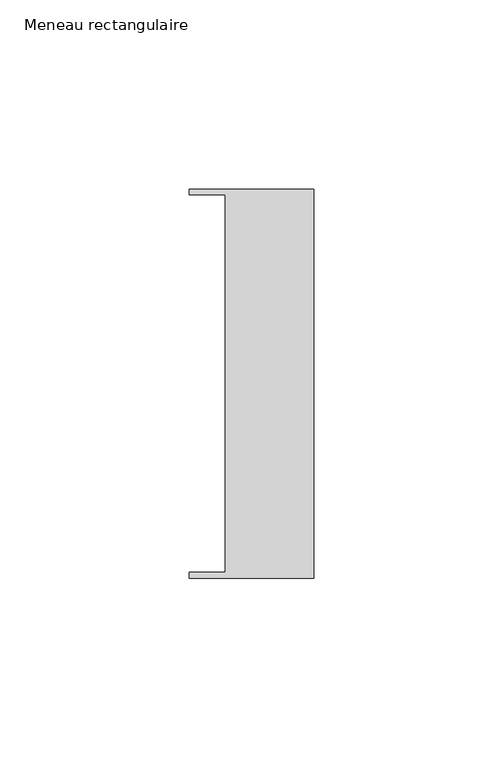
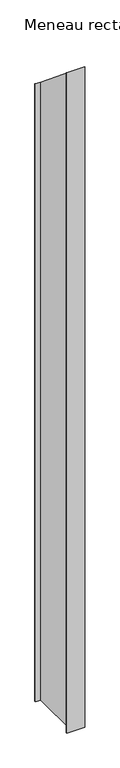
"""IFC4 building model written with IfcOpenShell, lengths in millimetres: member geometry, Meneau rectangulaire."""

from ifc_helpers import new_model, si_unit, origin, place, context, project, spatial, faceted_brep, source, transform, mapped, element, save


def meneau_rectangulaire_eea35779(model_context):
    return source(origin(), model_context, "Body", "Brep", [
        faceted_brep([(-33.0, 51.4622428, -1255.0000003), (0.0, 51.4622428, -1255.0000003), (0.0, -51.4712299, -1255.0000003), (-33.0, -51.4712299, -1255.0000003), (-33.0, -49.9505712, -1255.0000003), (-23.4, -49.9505712, -1255.0000003), (-23.4, 49.9614402, -1255.0000003), (-33.0, 49.9614402, -1255.0000003), (-23.4, -49.9505712, 41.1760733), (-23.4, 49.9614402, -41.1850331), (0.0, -51.4712299, 42.4296076), (-33.0, -51.4712299, 42.4296076), (0.0, 51.4622428, -42.4221992), (-33.0, 51.4622428, -42.4221992), (-33.0, 49.9614402, -41.1850331), (-33.0, -49.9505712, 41.1760733)], [[[0, 1, 2, 3, 4, 5, 6, 7]], [[8, 9, 6, 5]], [[10, 11, 3, 2]], [[12, 10, 2, 1]], [[13, 12, 1, 0]], [[14, 13, 0, 7]], [[9, 14, 7, 6]], [[15, 8, 5, 4]], [[11, 15, 4, 3]], [[13, 14, 9, 8, 15, 11, 10, 12]]]),
    ])


if __name__ == "__main__":
    model = new_model("IFC4")
    model_context = context("Model", 3, world=origin())
    ifc_project = project(units=[si_unit("LENGTHUNIT", "METRE", prefix="MILLI")], contexts=[model_context])
    site = spatial("IfcSite", under=ifc_project)
    building = spatial("IfcBuilding", under=site)
    placement = place(None, origin())
    meneau_rectangulaire_shape = meneau_rectangulaire_eea35779(model_context)
    element("IfcMember", 1, ObjectType="Meneau rectangulaire", at=placement, inside=building, context=model_context, shape_type="MappedRepresentation", body=[
        mapped(meneau_rectangulaire_shape, transform((0.0, 0.0, 0.0), x_axis=(1.0, 0.0, 0.0), y_axis=(0.0, 1.0, 0.0), z_axis=(0.0, 0.0, 1.0))),
    ])
    save(model, "model.ifc")
